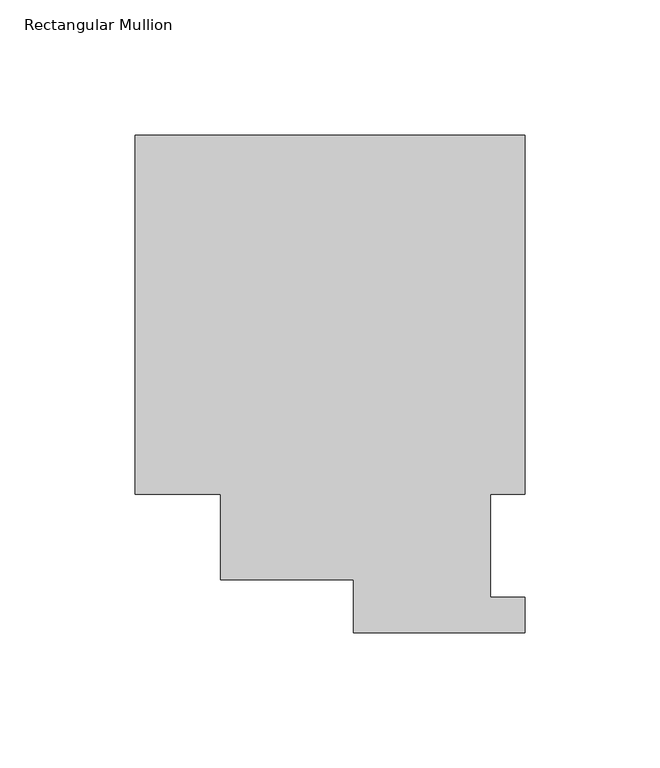
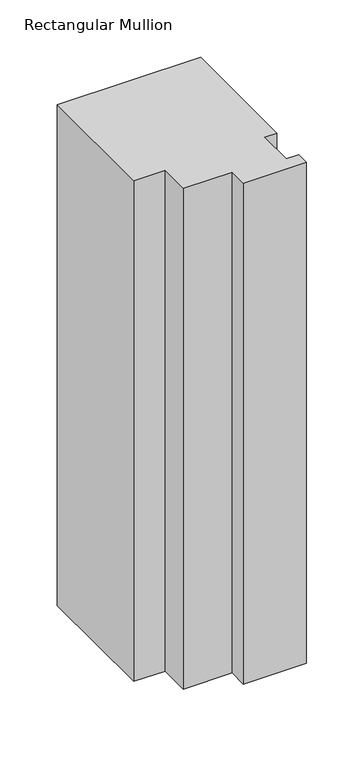
"""IFC4 building model written with IfcOpenShell, lengths in millimetres: member geometry, Rectangular Mullion."""

from ifc_helpers import new_model, si_unit, frame, origin, place, context, project, spatial, polyline, outline, extrude, source, transform, mapped, element, save


def rectangular_mullion_9646bb45(model_context):
    return source(origin(), model_context, "Body", "SweptSolid", [
        extrude(outline(polyline([(0.0, 184.2396937), (0.0, 51.2960938), (-12.6873001, 51.2960937), (-12.6873001, 13.1960938), (0.0, 13.1960938), (0.0, 0.0134938), (-63.5000001, 0.0134938), (-63.5000001, 19.5430757), (-112.6644875, 19.5430757), (-112.6644875, 51.2960937), (-144.3735814, 51.2960938), (-144.3735814, 184.2396937), (0.0, 184.2396937)])), frame((0.0, 0.0, -533.4), z_axis=(0.0, 0.0, 1.0), x_axis=(1.0, 0.0, 0.0)), (0.0, 0.0, 1.0), 533.4),
    ])


if __name__ == "__main__":
    model = new_model("IFC4")
    model_context = context("Model", 3, world=origin())
    ifc_project = project(units=[si_unit("LENGTHUNIT", "METRE", prefix="MILLI")], contexts=[model_context])
    site = spatial("IfcSite", under=ifc_project)
    building = spatial("IfcBuilding", under=site)
    placement = place(None, origin())
    rectangular_mullion_shape = rectangular_mullion_9646bb45(model_context)
    element("IfcMember", 1, ObjectType="Rectangular Mullion", at=placement, inside=building, context=model_context, shape_type="MappedRepresentation", body=[
        mapped(rectangular_mullion_shape, transform((0.0, 0.0, 0.0), x_axis=(1.0, 0.0, 0.0), y_axis=(0.0, 1.0, 0.0), z_axis=(0.0, 0.0, 1.0))),
    ])
    save(model, "model.ifc")
